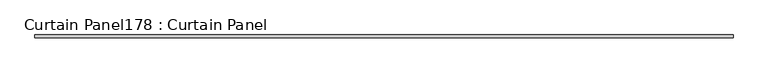
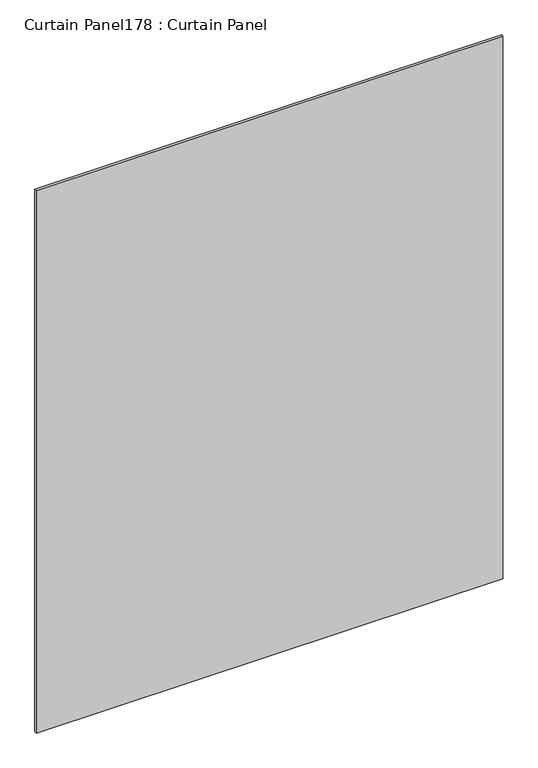
"""IFC4 building model written with IfcOpenShell, lengths in millimetres: plate geometry, Curtain Panel178 : Curtain Panel."""

from ifc_helpers import new_model, si_unit, frame, origin, place, context, project, spatial, polyline, outline, extrude, source, transform, mapped, element, save


def curtain_panel178_curtain_panel_4d702b35(model_context):
    return source(origin(), model_context, "Body", "SweptSolid", [
        extrude(outline(polyline([(529333.9957972, 2657.4439437), (523288.7957972, 2657.4439437), (523288.7957972, 2682.8439437), (529333.9957972, 2682.8439437), (529333.9957972, 2657.4439437)])), frame((0.0, 0.0, 26325.1962141), z_axis=(0.0, 0.0, 1.0), x_axis=(1.0, 0.0, 0.0)), (0.0, 0.0, 1.0), 7427.6179485),
    ])


if __name__ == "__main__":
    model = new_model("IFC4")
    model_context = context("Model", 3, world=origin())
    ifc_project = project(units=[si_unit("LENGTHUNIT", "METRE", prefix="MILLI")], contexts=[model_context])
    site = spatial("IfcSite", under=ifc_project)
    building = spatial("IfcBuilding", under=site)
    placement = place(None, origin())
    curtain_panel178_curtain_panel_shape = curtain_panel178_curtain_panel_4d702b35(model_context)
    element("IfcPlate", 1, ObjectType="Curtain Panel178 : Curtain Panel", at=placement, inside=building, context=model_context, shape_type="MappedRepresentation", body=[
        mapped(curtain_panel178_curtain_panel_shape, transform((0.0, 0.0, 0.0), x_axis=(1.0, 0.0, 0.0), y_axis=(0.0, 1.0, 0.0), z_axis=(0.0, 0.0, 1.0))),
    ])
    save(model, "model.ifc")
